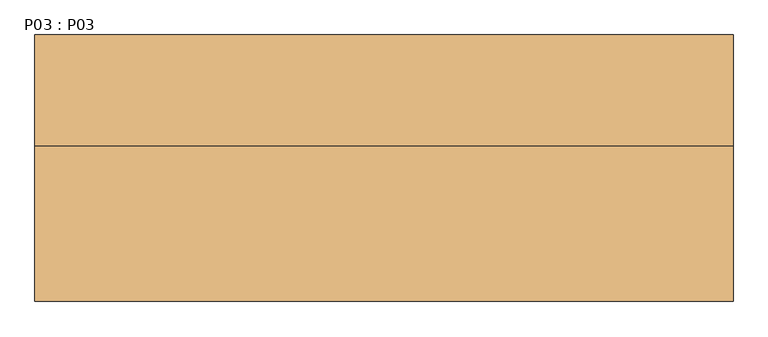
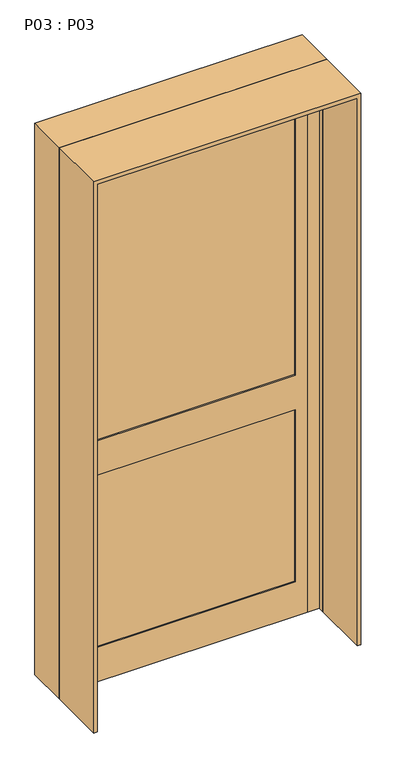
"""IFC4 building model written with IfcOpenShell, lengths in millimetres: door geometry, P03 : P03."""

from ifc_helpers import new_model, si_unit, frame, origin, origin_with_axes, place, context, project, spatial, polyline, outline, extrude, source, transform, mapped, element, save


def p03_p03_587e929c(model_context):
    return source(origin(), model_context, "Body", "SweptSolid", [
        extrude(outline(polyline([(-775.0, 125.0), (-1645.0, 125.0), (-1645.0, 175.0), (-775.0, 175.0), (-775.0, 125.0)])), frame((0.0, 0.0, 2285.0), z_axis=(0.0, 0.0, 1.0), x_axis=(1.0, 0.0, 0.0)), (0.0, 0.0, 1.0), 50.0),
        extrude(outline(polyline([(-725.0, 125.0), (-1695.0, 125.0), (-1695.0, 175.0), (-725.0, 175.0), (-725.0, 125.0)])), frame((0.0, 0.0, 2335.0), z_axis=(0.0, 0.0, 1.0), x_axis=(1.0, 0.0, 0.0)), (0.0, 0.0, 1.0), 50.0),
        extrude(outline(polyline([(0.0, -725.0), (2335.0, -725.0), (2335.0, -775.0), (1050.0, -775.0), (1050.0, -1645.0), (2335.0, -1645.0), (2335.0, -1695.0), (0.0, -1695.0), (0.0, -725.0)]), holes=[polyline([(900.0, -775.0), (150.0, -775.0), (150.0, -1645.0), (900.0, -1645.0), (900.0, -775.0)])]), frame((0.0, 125.0, 0.0), z_axis=(0.0, 1.0, 0.0), x_axis=(0.0, 0.0, 1.0)), (0.0, 0.0, 1.0), 50.0),
        extrude(outline(polyline([(-775.0, 130.0), (-1645.0, 130.0), (-1645.0, 170.0), (-775.0, 170.0), (-775.0, 130.0)])), frame((0.0, 0.0, 150.0), z_axis=(0.0, 0.0, 1.0), x_axis=(1.0, 0.0, 0.0)), (0.0, 0.0, 1.0), 750.0),
        extrude(outline(polyline([(-775.0, 130.0), (-1645.0, 130.0), (-1645.0, 170.0), (-775.0, 170.0), (-775.0, 130.0)])), frame((0.0, 0.0, 1050.0), z_axis=(0.0, 0.0, 1.0), x_axis=(1.0, 0.0, 0.0)), (0.0, 0.0, 1.0), 1235.0),
        extrude(outline(polyline([(-675.0, 125.0), (-725.0, 125.0), (-725.0, 175.0), (-675.0, 175.0), (-675.0, 125.0)])), origin_with_axes(), (0.0, 0.0, 1.0), 2385.0),
        extrude(outline(polyline([(-1695.0, 125.0), (-1745.0, 125.0), (-1745.0, 175.0), (-1695.0, 175.0), (-1695.0, 125.0)])), origin_with_axes(), (0.0, 0.0, 1.0), 2385.0),
        extrude(outline(polyline([(2400.0, -1760.0), (0.0, -1760.0), (0.0, -1745.0), (2385.0, -1745.0), (2385.0, -675.0), (0.0, -675.0), (0.0, -660.0), (2400.0, -660.0), (2400.0, -1760.0)])), frame((0.0, 100.0, 0.0), z_axis=(0.0, 1.0, 0.0), x_axis=(0.0, 0.0, 1.0)), (0.0, 0.0, 1.0), 175.0),
        extrude(outline(polyline([(2400.0, -1760.0), (0.0, -1760.0), (0.0, -1745.0), (2385.0, -1745.0), (2385.0, -675.0), (0.0, -675.0), (0.0, -660.0), (2400.0, -660.0), (2400.0, -1760.0)])), frame((0.0, -145.0, 0.0), z_axis=(0.0, 1.0, 0.0), x_axis=(0.0, 0.0, 1.0)), (0.0, 0.0, 1.0), 270.0),
    ])


if __name__ == "__main__":
    model = new_model("IFC4")
    model_context = context("Model", 3, world=origin())
    ifc_project = project(units=[si_unit("LENGTHUNIT", "METRE", prefix="MILLI")], contexts=[model_context])
    site = spatial("IfcSite", under=ifc_project)
    building = spatial("IfcBuilding", under=site)
    placement = place(None, origin())
    p03_p03_shape = p03_p03_587e929c(model_context)
    element("IfcDoor", 1, ObjectType="P03 : P03", at=placement, inside=building, context=model_context, shape_type="MappedRepresentation", body=[
        mapped(p03_p03_shape, transform((0.0, 0.0, 0.0), x_axis=(1.0, 0.0, 0.0), y_axis=(0.0, 1.0, 0.0), z_axis=(0.0, 0.0, 1.0))),
    ])
    save(model, "model.ifc")
